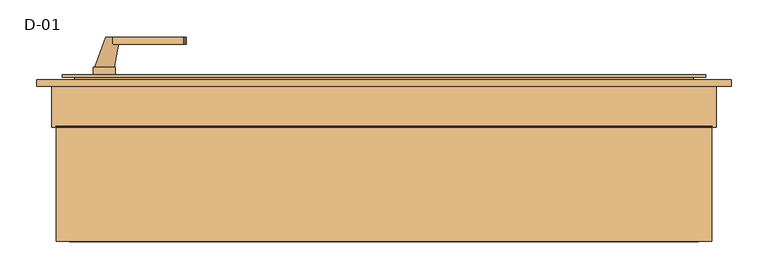
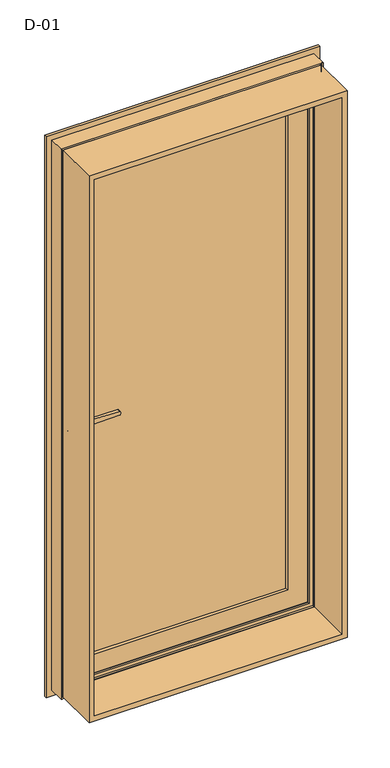
"""IFC4 building model written with IfcOpenShell, lengths in millimetres: door geometry, D-01."""

import ifcopenshell
import ifcopenshell.guid

model = None  # the IFC model being written
_history = None  # IfcOwnerHistory: only IFC2X3 demands one
_inside = {}  # id of a spatial element -> (the spatial element, [elements in it])
_under = {}  # id of a project, library or spatial element -> (it, [spatial elements below it])
_declared = {}  # id of a project -> (the project, [libraries it declares])
_typed = {}  # id of a type object -> (the type object, [elements of that type])
_made_of = {}  # id of a material, layer set ... -> (it, [elements and type objects made of it])


def new_model(schema):
    """Start an empty IFC model of exactly this schema.

    Asked for "IFC4X3", IfcOpenShell would pick the latest addendum, in which some entities
    have other attributes; the version numbers below select the first issue.
    IFC2X3 requires an IfcOwnerHistory on every rooted entity: one is made here for all.
    """
    global model, _history
    if schema == "IFC4X3":
        model = ifcopenshell.file(schema_version=(4, 3, 0, 0))
    else:
        model = ifcopenshell.file(schema=schema)
    _inside.clear()
    _under.clear()
    _declared.clear()
    _typed.clear()
    _made_of.clear()
    _history = None
    if model.schema == "IFC2X3":
        org = make("IfcOrganization", Name="unknown")
        user = make(
            "IfcPersonAndOrganization",
            ThePerson=make("IfcPerson", FamilyName="unknown"),
            TheOrganization=org,
        )
        app = make(
            "IfcApplication",
            ApplicationDeveloper=org,
            Version="unknown",
            ApplicationFullName="unknown",
            ApplicationIdentifier="unknown",
        )
        _history = make(
            "IfcOwnerHistory",
            OwningUser=user,
            OwningApplication=app,
            ChangeAction="ADDED",
            CreationDate=0,
        )
    return model


def make(cls, **values):
    """One entity of the class cls with the attributes given. An attribute that is None is left unset."""
    return model.create_entity(
        cls, **{name: value for name, value in values.items() if value is not None}
    )


def rooted(cls, **values):
    """An entity with a GlobalId (a new one), such as an element, a storey or a relation."""
    return make(cls, GlobalId=ifcopenshell.guid.new(), OwnerHistory=_history, **values)


def si_unit(unit_type, name, prefix=None):
    """IfcSIUnit, for example si_unit("LENGTHUNIT", "METRE", prefix="MILLI")."""
    return make("IfcSIUnit", UnitType=unit_type, Prefix=prefix, Name=name)


def assignment(units):
    """IfcUnitAssignment: the units of a project."""
    return None if units is None else make("IfcUnitAssignment", Units=units)


def point(xyz):
    """IfcCartesianPoint."""
    return None if xyz is None else make("IfcCartesianPoint", Coordinates=xyz)


def direction(xyz):
    """IfcDirection."""
    return None if xyz is None else make("IfcDirection", DirectionRatios=xyz)


def frame(location, z_axis=None, x_axis=None):
    """IfcAxis2Placement3D, a coordinate frame: its origin and axes. An axis left out is left unset."""
    return make(
        "IfcAxis2Placement3D",
        Location=point(location),
        Axis=direction(z_axis),
        RefDirection=direction(x_axis),
    )


def frame_2d(location, x_axis=None):
    """IfcAxis2Placement2D, a coordinate frame in the plane: its origin and x axis."""
    return make(
        "IfcAxis2Placement2D", Location=point(location), RefDirection=direction(x_axis)
    )


def origin():
    """The frame at (0, 0, 0) with its axes left unset."""
    return frame((0.0, 0.0, 0.0))


def place(relative_to, where):
    """IfcLocalPlacement: puts the frame where relative to a parent placement (None: the world)."""
    return make(
        "IfcLocalPlacement", PlacementRelTo=relative_to, RelativePlacement=where
    )


def context(
    kind, dimensions, precision=None, world=None, true_north=None, identifier=None
):
    """IfcGeometricRepresentationContext, for example the 3D "Model" context."""
    return make(
        "IfcGeometricRepresentationContext",
        ContextIdentifier=identifier,
        ContextType=kind,
        CoordinateSpaceDimension=dimensions,
        Precision=precision,
        WorldCoordinateSystem=world,
        TrueNorth=true_north,
    )


def project(units=None, contexts=None):
    """IfcProject with its units and contexts."""
    return rooted(
        "IfcProject",
        Name="project",
        RepresentationContexts=contexts,
        UnitsInContext=assignment(units),
    )


def spatial(cls, under=None, at=None, **own):
    """A site, building, storey or space (cls), placed at a placement, below another one or the project."""
    s = rooted(cls, ObjectPlacement=at, **own)
    if under is not None:
        _under.setdefault(under.id(), (under, []))[1].append(s)
    return s


def polyline(points):
    """IfcPolyline through the points."""
    return make("IfcPolyline", Points=[point(p) for p in points])


def circle_curve(where, radius):
    """IfcCircle in the frame where."""
    return make("IfcCircle", Position=where, Radius=radius)


def ellipse_curve(where, semi_axis1, semi_axis2):
    """IfcEllipse in the frame where."""
    return make(
        "IfcEllipse", Position=where, SemiAxis1=semi_axis1, SemiAxis2=semi_axis2
    )


def trimmed(basis, trim1, trim2, sense, master):
    """IfcTrimmedCurve: the piece of a basis curve between two trims."""
    return make(
        "IfcTrimmedCurve",
        BasisCurve=basis,
        Trim1=trim1,
        Trim2=trim2,
        SenseAgreement=sense,
        MasterRepresentation=master,
    )


def segment(curve, same_sense, transition):
    """IfcCompositeCurveSegment."""
    return make(
        "IfcCompositeCurveSegment",
        Transition=transition,
        SameSense=same_sense,
        ParentCurve=curve,
    )


def composite_curve(segments, self_intersect=None):
    """IfcCompositeCurve: segments joined end to end."""
    return make("IfcCompositeCurve", Segments=segments, SelfIntersect=self_intersect)


def outline(outer, holes=None, kind="AREA"):
    """IfcArbitraryClosedProfileDef: a profile drawn as a closed curve; with holes, ...WithVoids."""
    if holes is None:
        return make("IfcArbitraryClosedProfileDef", ProfileType=kind, OuterCurve=outer)
    return make(
        "IfcArbitraryProfileDefWithVoids",
        ProfileType=kind,
        OuterCurve=outer,
        InnerCurves=holes,
    )


def extrude(swept, where, along, depth):
    """IfcExtrudedAreaSolid: the profile swept, set in the frame where, extruded along a direction by depth."""
    return make(
        "IfcExtrudedAreaSolid",
        SweptArea=swept,
        Position=where,
        ExtrudedDirection=direction(along),
        Depth=depth,
    )


def faces_of(points, faces, orient=None, outer=None):
    """IfcFace entities. A face is a list of loops; a loop is a list of indices into points, from 0.

    orient and outer hold one flag for each loop. By default every Orientation is true, the
    first loop of a face is its IfcFaceOuterBound and the others are IfcFaceBound.
    """
    made = []
    for i, loops in enumerate(faces):
        bounds = []
        for j, loop in enumerate(loops):
            is_outer = j == 0 if outer is None else outer[i][j]
            bounds.append(
                make(
                    "IfcFaceOuterBound" if is_outer else "IfcFaceBound",
                    Bound=make("IfcPolyLoop", Polygon=[points[k] for k in loop]),
                    Orientation=True if orient is None else orient[i][j],
                )
            )
        made.append(make("IfcFace", Bounds=bounds))
    return made


def faceted_brep(points, faces, orient=None, outer=None, voids=None):
    """IfcFacetedBrep: a solid bounded by flat faces; with voids (closed shells), ...WithVoids."""
    shared = [point(p) for p in points]
    hull = make("IfcClosedShell", CfsFaces=faces_of(shared, faces, orient, outer))
    if voids is None:
        return make("IfcFacetedBrep", Outer=hull)
    return make(
        "IfcFacetedBrepWithVoids",
        Outer=hull,
        Voids=[
            make(cls, CfsFaces=faces_of(shared, fs, o, b)) for cls, fs, o, b in voids
        ],
    )


def shape(context_of_items, identifier, shape_type, items):
    """IfcShapeRepresentation: the items that make up one representation, for example the "Body"."""
    return make(
        "IfcShapeRepresentation",
        ContextOfItems=context_of_items,
        RepresentationIdentifier=identifier,
        RepresentationType=shape_type,
        Items=items,
    )


def source(mapping_origin, context_of_items, identifier, shape_type, items):
    """IfcRepresentationMap: a shape defined once, which mapped items show again and again."""
    return make(
        "IfcRepresentationMap",
        MappingOrigin=mapping_origin,
        MappedRepresentation=shape(context_of_items, identifier, shape_type, items),
    )


def transform(
    local_origin,
    x_axis=None,
    y_axis=None,
    z_axis=None,
    scale=None,
    scale2=None,
    scale3=None,
    uniform=True,
):
    """IfcCartesianTransformationOperator3D, or its non-uniform kind. x_axis, y_axis, z_axis: its Axis1, 2, 3."""
    if uniform:
        return make(
            "IfcCartesianTransformationOperator3D",
            Axis1=direction(x_axis),
            Axis2=direction(y_axis),
            LocalOrigin=point(local_origin),
            Scale=scale,
            Axis3=direction(z_axis),
        )
    return make(
        "IfcCartesianTransformationOperator3DnonUniform",
        Axis1=direction(x_axis),
        Axis2=direction(y_axis),
        LocalOrigin=point(local_origin),
        Scale=scale,
        Axis3=direction(z_axis),
        Scale2=scale2,
        Scale3=scale3,
    )


def mapped(mapping_source, mapping_target):
    """IfcMappedItem: shows the shape of a source again, moved by a transform."""
    return make(
        "IfcMappedItem", MappingSource=mapping_source, MappingTarget=mapping_target
    )


def made_of(thing, what):
    """Note that an element or type object is made of a material, layer set ...; save() writes the relation."""
    if what is not None:
        _made_of.setdefault(what.id(), (what, []))[1].append(thing)
    return thing


def element(
    cls,
    number,
    at=None,
    inside=None,
    cuts=None,
    type_object=None,
    material=None,
    context=None,
    identifier="Body",
    shape_type=None,
    held_by="IfcProductDefinitionShape",
    body=None,
    shapes=None,
    **own,
):
    """One element of the class cls, such as IfcWall. Its Tag is "e" and its number.

    at: its placement. inside: the storey or other place that contains it. cuts: it is an
    opening in that element (IfcRelVoidsElement). A single representation is given by context,
    identifier, shape_type and body (its items); several are given by shapes. held_by: the class
    of the entity that holds the representations. save() writes the other relations.
    """
    e = rooted(cls, Tag="e%d" % number, ObjectPlacement=at, **own)
    if body is not None:
        shapes = [shape(context, identifier, shape_type, body)]
    if shapes is not None:
        e.Representation = make(held_by, Representations=shapes)
    if inside is not None:
        _inside.setdefault(inside.id(), (inside, []))[1].append(e)
    if cuts is not None:
        rooted(
            "IfcRelVoidsElement", RelatingBuildingElement=cuts, RelatedOpeningElement=e
        )
    if type_object is not None:
        _typed.setdefault(type_object.id(), (type_object, []))[1].append(e)
    return made_of(e, material)


def aggregate(whole, parts):
    """IfcRelAggregates: a whole, such as a stair, and the parts it consists of."""
    return rooted("IfcRelAggregates", RelatingObject=whole, RelatedObjects=parts)


def save(model, path):
    """Write the relations noted so far, then the file.

    IfcRelAggregates (storeys below a building ...), IfcRelContainedInSpatialStructure (elements
    in a storey), IfcRelDefinesByType, IfcRelAssociatesMaterial and IfcRelDeclares: one each for
    every whole, place, type object, material and project.
    """
    for whole, parts in _under.values():
        aggregate(whole, parts)
    for where, things in _inside.values():
        rooted(
            "IfcRelContainedInSpatialStructure",
            RelatedElements=things,
            RelatingStructure=where,
        )
    for kind, things in _typed.values():
        rooted("IfcRelDefinesByType", RelatedObjects=things, RelatingType=kind)
    for what, things in _made_of.values():
        rooted("IfcRelAssociatesMaterial", RelatedObjects=things, RelatingMaterial=what)
    for by, libraries in _declared.values():
        rooted("IfcRelDeclares", RelatingContext=by, RelatedDefinitions=libraries)
    model.write(path)


def plane_surface(at):
    """IfcPlane: the flat surface through the origin of the frame at, square to its z axis."""
    return make("IfcPlane", Position=at)


def cylinder_surface(at, radius):
    """IfcCylindricalSurface: all points at the distance radius from the z axis of the frame at."""
    return make("IfcCylindricalSurface", Position=at, Radius=radius)


def revolved_surface(curve, axis_point, axis_direction):
    """IfcSurfaceOfRevolution: the curve turned about the line through axis_point along axis_direction."""
    return make(
        "IfcSurfaceOfRevolution",
        SweptCurve=make("IfcArbitraryOpenProfileDef", ProfileType="CURVE", Curve=curve),
        AxisPosition=make("IfcAxis1Placement", Location=point(axis_point), Axis=direction(axis_direction)),
    )


def spline_surface(u_degree, v_degree, points, u_multiplicities, v_multiplicities, u_knots, v_knots, weights=None):
    """IfcBSplineSurfaceWithKnots; with weights, IfcRationalBSplineSurfaceWithKnots. points: one row for each step in u."""
    own = dict(
        UDegree=u_degree,
        VDegree=v_degree,
        ControlPointsList=[[point(p) for p in row] for row in points],
        SurfaceForm="UNSPECIFIED",
        UClosed=False,
        VClosed=False,
        SelfIntersect=False,
        UMultiplicities=u_multiplicities,
        VMultiplicities=v_multiplicities,
        UKnots=u_knots,
        VKnots=v_knots,
        KnotSpec="UNSPECIFIED",
    )
    if weights is None:
        return make("IfcBSplineSurfaceWithKnots", **own)
    return make("IfcRationalBSplineSurfaceWithKnots", WeightsData=weights, **own)


def advanced_brep(points, edges, surfaces, faces):
    """IfcAdvancedBrep: a solid bounded by faces that lie on surfaces and meet in shared edges.

    An edge is (start, end): straight between two places in points (the first is 0);
    or (start, end, curve); or (start, end, curve, False) where it runs against its curve.
    A face is (place in surfaces, loops), or (place, loops, False) where it looks against
    its surface's normal. A loop lists edges by number (the first is 1), with a minus sign
    where the edge is run from its end to its start. The first loop is the outer one.
    """
    corners = [point(p) for p in points]
    vertices = [make("IfcVertexPoint", VertexGeometry=c) for c in corners]
    made = []
    for start, end, *more in edges:
        made.append(
            make(
                "IfcEdgeCurve",
                EdgeStart=vertices[start],
                EdgeEnd=vertices[end],
                EdgeGeometry=more[0] if more else make("IfcPolyline", Points=[corners[start], corners[end]]),
                SameSense=more[1] if len(more) > 1 else True,
            )
        )
    hull = []
    for where, loops, *sense in faces:
        bounds = []
        for j, loop in enumerate(loops):
            ring = [make("IfcOrientedEdge", EdgeElement=made[abs(k) - 1], Orientation=k > 0) for k in loop]
            bounds.append(
                make(
                    "IfcFaceOuterBound" if j == 0 else "IfcFaceBound",
                    Bound=make("IfcEdgeLoop", EdgeList=ring),
                    Orientation=True,
                )
            )
        hull.append(make("IfcAdvancedFace", Bounds=bounds, FaceSurface=surfaces[where], SameSense=sense[0] if sense else True))
    return make("IfcAdvancedBrep", Outer=make("IfcClosedShell", CfsFaces=hull))


def d_01_5e7d713f(model_context):
    return source(origin(), model_context, "Body", "SolidModel", [
        extrude(outline(polyline([(1993.8, 443.8), (1993.8, -443.8), (6.2, -443.8), (6.2, 443.8), (1993.8, 443.8)]), holes=[polyline([(24.7, 425.3), (24.7, -425.3), (1975.3, -425.3), (1975.3, 425.3), (24.7, 425.3)])]), frame((0.0, -100.0, 0.0), z_axis=(0.0, 1.0, 0.0), x_axis=(0.0, 0.0, 1.0)), (0.0, 0.0, 1.0), 165.9999813),
        extrude(outline(polyline([(349.0, 81.0), (-349.0, 81.0), (-349.0, 107.0), (349.0, 107.0), (349.0, 81.0)])), frame((0.0, 0.0, 101.0), z_axis=(0.0, 0.0, 1.0), x_axis=(1.0, 0.0, 0.0)), (0.0, 0.0, 1.0), 1798.0),
        extrude(outline(composite_curve([segment(polyline([(895.7, -373.529519), (908.3261365, -373.529519)]), True, "CONTINUOUS"), segment(trimmed(circle_curve(frame_2d((915.2, -378.529519)), 8.5), [point((908.3261365, -373.529519))], [point((908.3261365, -383.529519))], False, "CARTESIAN"), True, "CONTINUOUS"), segment(polyline([(908.3261365, -383.529519), (895.7, -383.529519)]), True, "CONTINUOUS"), segment(trimmed(circle_curve(frame_2d((895.7, -378.529519)), 5.0), [point((895.7, -383.529519))], [point((895.7, -373.529519))], False, "CARTESIAN"), True, "CONTINUOUS")], self_intersect=False)), frame((0.0, 58.0000848, 0.0), z_axis=(0.0, 1.0, 0.0), x_axis=(0.0, 0.0, 1.0)), (0.0, 0.0, 1.0), 11.0),
        extrude(outline(composite_curve([segment(trimmed(circle_curve(frame_2d((956.1155661, -378.529519)), 97.2636214), [point((860.0, -393.429519))], [point((860.0, -363.629519))], False, "CARTESIAN"), True, "CONTINUOUS"), segment(polyline([(860.0, -363.629519), (1078.5, -363.629519)]), True, "CONTINUOUS"), segment(trimmed(circle_curve(frame_2d((982.3844339, -378.529519)), 97.2636214), [point((1078.5, -363.629519))], [point((1078.5, -393.429519))], False, "CARTESIAN"), True, "CONTINUOUS"), segment(polyline([(1078.5, -393.429519), (860.0, -393.429519)]), True, "CONTINUOUS")], self_intersect=False), holes=[composite_curve([segment(polyline([(895.7, -383.529519), (908.3261365, -383.529519)]), True, "CONTINUOUS"), segment(trimmed(circle_curve(frame_2d((915.2, -378.529519)), 8.5), [point((908.3261365, -383.529519))], [point((908.3261365, -373.529519))], True, "CARTESIAN"), True, "CONTINUOUS"), segment(polyline([(908.3261365, -373.529519), (895.7, -373.529519)]), True, "CONTINUOUS"), segment(trimmed(circle_curve(frame_2d((895.7, -378.529519)), 5.0), [point((895.7, -373.529519))], [point((895.7, -383.529519))], True, "CARTESIAN"), True, "CONTINUOUS")], self_intersect=False)]), frame((0.0, 59.0000848, 0.0), z_axis=(0.0, 1.0, 0.0), x_axis=(0.0, 0.0, 1.0)), (0.0, 0.0, 1.0), 10.0),
        extrude(outline(composite_curve([segment(polyline([(1009.5, -367.529519), (990.5, -367.529519), (993.0308731, -270.8793747)]), True, "CONTINUOUS"), segment(trimmed(circle_curve(frame_2d((995.0301877, -270.9317286)), 2.0), [point((993.0308731, -270.8793747))], [point((994.5125497, -268.9998769))], False, "CARTESIAN"), True, "CONTINUOUS"), segment(polyline([(994.5125497, -268.9998769), (1000.0, -267.529519), (1005.4874503, -268.9998769)]), True, "CONTINUOUS"), segment(trimmed(circle_curve(frame_2d((1004.9698123, -270.9317286)), 2.0), [point((1005.4874503, -268.9998769))], [point((1006.9691269, -270.8793747))], False, "CARTESIAN"), True, "CONTINUOUS"), segment(polyline([(1006.9691269, -270.8793747), (1009.5, -367.529519)]), True, "CONTINUOUS")], self_intersect=False)), frame((0.0, 18.0000848, 0.0), z_axis=(0.0, 1.0, 0.0), x_axis=(0.0, 0.0, 1.0)), (0.0, 0.0, 1.0), 10.0),
        advanced_brep(
        [(-377.029519, 18.0000848, 1000.0), (-358.029519, 18.0000848, 1000.0), (-391.929519, 59.0000848, 1000.0), (-365.129519, 59.0000848, 1000.0)],
        [
            (0, 1, circle_curve(frame((-367.529519, 18.0000848, 1000.0), z_axis=(0.0, -1.0, 0.0), x_axis=(1.0, 0.0, 0.0)), 9.5)),
            (1, 0, circle_curve(frame((-367.529519, 18.0000848, 1000.0), z_axis=(0.0, -1.0, 0.0), x_axis=(1.0, 0.0, 0.0)), 9.5)),
            (2, 3, circle_curve(frame((-378.529519, 59.0000848, 1000.0), z_axis=(0.0, 1.0, 0.0), x_axis=(1.0, 0.0, 0.0)), 13.4)),
            (3, 2, circle_curve(frame((-378.529519, 59.0000848, 1000.0), z_axis=(0.0, 1.0, 0.0), x_axis=(1.0, 0.0, 0.0)), 13.4)),
            (3, 1),
            (0, 2),
        ],
        [
            plane_surface(frame((-367.529519, 18.0000848, 1000.0), z_axis=(0.0, -1.0, 0.0), x_axis=(0.0, 0.0, -1.0))),
            plane_surface(frame((-378.529519, 59.0000848, 1000.0), z_axis=(0.0, 1.0, 0.0), x_axis=(0.0, 0.0, -1.0))),
            spline_surface(2, 1, [[(-391.929519, 59.0000848, 1000.0), (-377.029519, 18.0000848, 1000.0)], [(-391.929519, 59.0000848, 986.5999999999999), (-377.029519, 18.0000848, 990.5)], [(-378.529519, 59.0000848, 986.5999999999999), (-367.529519, 18.0000848, 990.5)], [(-365.12951899999996, 59.0000848, 986.5999999999999), (-358.029519, 18.0000848, 990.5)], [(-365.129519, 59.0000848, 1000.0), (-358.029519, 18.0000848, 1000.0)]], [3, 2, 3], [2, 2], [0.0, 1.0, 2.0], [0.0, 1.0], weights=[[1.0, 1.0], [0.7071067811865476, 0.7071067811865476], [1.0, 1.0], [0.707106781186546, 0.707106781186546], [1.0, 1.0]]),
            spline_surface(2, 1, [[(-365.129519, 59.0000848, 1000.0), (-358.029519, 18.0000848, 1000.0)], [(-365.129519, 59.0000848, 1013.4), (-358.029519, 18.0000848, 1009.5)], [(-378.529519, 59.0000848, 1013.4), (-367.529519, 18.0000848, 1009.5)], [(-391.92951899999997, 59.0000848, 1013.3999999999999), (-377.029519, 18.0000848, 1009.5)], [(-391.929519, 59.0000848, 1000.0), (-377.029519, 18.0000848, 1000.0)]], [3, 2, 3], [2, 2], [0.0, 1.0, 2.0], [0.0, 1.0], weights=[[1.0, 1.0], [0.7071067811865476, 0.7071067811865476], [1.0, 1.0], [0.707106781186549, 0.707106781186549], [1.0, 1.0]]),
        ],
        [
            (0, [[1, 2]]),
            (1, [[3, 4]]),
            (2, [[-4, 5, -1, 6]]),
            (3, [[-3, -6, -2, -5]]),
        ],
    ),
        extrude(outline(composite_curve([segment(polyline([(895.7, -373.529519), (908.3261365, -373.529519)]), True, "CONTINUOUS"), segment(trimmed(circle_curve(frame_2d((915.2, -378.529519)), 8.5), [point((908.3261365, -373.529519))], [point((908.3261365, -383.529519))], False, "CARTESIAN"), True, "CONTINUOUS"), segment(polyline([(908.3261365, -383.529519), (895.7, -383.529519)]), True, "CONTINUOUS"), segment(trimmed(circle_curve(frame_2d((895.7, -378.529519)), 5.0), [point((895.7, -383.529519))], [point((895.7, -373.529519))], False, "CARTESIAN"), True, "CONTINUOUS")], self_intersect=False)), frame((0.0, 126.0000927, 0.0), z_axis=(0.0, 1.0, 0.0), x_axis=(0.0, 0.0, 1.0)), (0.0, 0.0, 1.0), 11.0),
        extrude(outline(composite_curve([segment(trimmed(circle_curve(frame_2d((956.1155661, -378.529519)), 97.2636214), [point((860.0, -393.429519))], [point((860.0, -363.629519))], False, "CARTESIAN"), True, "CONTINUOUS"), segment(polyline([(860.0, -363.629519), (1078.5, -363.629519)]), True, "CONTINUOUS"), segment(trimmed(circle_curve(frame_2d((982.3844339, -378.529519)), 97.2636214), [point((1078.5, -363.629519))], [point((1078.5, -393.429519))], False, "CARTESIAN"), True, "CONTINUOUS"), segment(polyline([(1078.5, -393.429519), (860.0, -393.429519)]), True, "CONTINUOUS")], self_intersect=False), holes=[composite_curve([segment(polyline([(895.7, -383.529519), (908.3261365, -383.529519)]), True, "CONTINUOUS"), segment(trimmed(circle_curve(frame_2d((915.2, -378.529519)), 8.5), [point((908.3261365, -383.529519))], [point((908.3261365, -373.529519))], True, "CARTESIAN"), True, "CONTINUOUS"), segment(polyline([(908.3261365, -373.529519), (895.7, -373.529519)]), True, "CONTINUOUS"), segment(trimmed(circle_curve(frame_2d((895.7, -378.529519)), 5.0), [point((895.7, -373.529519))], [point((895.7, -383.529519))], True, "CARTESIAN"), True, "CONTINUOUS")], self_intersect=False)]), frame((0.0, 126.0000927, 0.0), z_axis=(0.0, 1.0, 0.0), x_axis=(0.0, 0.0, 1.0)), (0.0, 0.0, 1.0), 10.0),
        extrude(outline(composite_curve([segment(polyline([(1009.5, -367.529519), (990.5, -367.529519), (993.0308731, -270.8793747)]), True, "CONTINUOUS"), segment(trimmed(circle_curve(frame_2d((995.0301877, -270.9317286)), 2.0), [point((993.0308731, -270.8793747))], [point((994.5125497, -268.9998769))], False, "CARTESIAN"), True, "CONTINUOUS"), segment(polyline([(994.5125497, -268.9998769), (1000.0, -267.529519), (1005.4874503, -268.9998769)]), True, "CONTINUOUS"), segment(trimmed(circle_curve(frame_2d((1004.9698123, -270.9317286)), 2.0), [point((1005.4874503, -268.9998769))], [point((1006.9691269, -270.8793747))], False, "CARTESIAN"), True, "CONTINUOUS"), segment(polyline([(1006.9691269, -270.8793747), (1009.5, -367.529519)]), True, "CONTINUOUS")], self_intersect=False)), frame((0.0, 167.0000927, 0.0), z_axis=(0.0, 1.0, 0.0), x_axis=(0.0, 0.0, 1.0)), (0.0, 0.0, 1.0), 10.0),
        advanced_brep(
        [(-377.029519, 177.0000927, 1000.0), (-358.029519, 177.0000927, 1000.0), (-391.929519, 136.0000927, 1000.0), (-365.129519, 136.0000927, 1000.0)],
        [
            (0, 1, circle_curve(frame((-367.529519, 177.0000927, 1000.0), z_axis=(0.0, 1.0, 0.0), x_axis=(1.0, 0.0, 0.0)), 9.5)),
            (1, 0, circle_curve(frame((-367.529519, 177.0000927, 1000.0), z_axis=(0.0, 1.0, 0.0), x_axis=(1.0, 0.0, 0.0)), 9.5)),
            (2, 3, circle_curve(frame((-378.529519, 136.0000927, 1000.0), z_axis=(0.0, -1.0, 0.0), x_axis=(1.0, 0.0, 0.0)), 13.4)),
            (3, 2, circle_curve(frame((-378.529519, 136.0000927, 1000.0), z_axis=(0.0, -1.0, 0.0), x_axis=(1.0, 0.0, 0.0)), 13.4)),
            (2, 0),
            (1, 3),
        ],
        [
            plane_surface(frame((-367.529519, 177.0000927, 1000.0), z_axis=(0.0, 1.0, 0.0), x_axis=(0.0, 0.0, -1.0))),
            plane_surface(frame((-378.529519, 136.0000927, 1000.0), z_axis=(0.0, -1.0, 0.0), x_axis=(0.0, 0.0, -1.0))),
            spline_surface(1, 2, [[(-391.929519, 136.0000927, 1000.0), (-391.929519, 136.0000927, 986.5999999999999), (-378.529519, 136.0000927, 986.5999999999999), (-365.12951899999996, 136.0000927, 986.5999999999999), (-365.129519, 136.0000927, 1000.0)], [(-377.029519, 177.0000927, 1000.0), (-377.029519, 177.0000927, 990.5), (-367.529519, 177.0000927, 990.5), (-358.029519, 177.0000927, 990.5), (-358.029519, 177.0000927, 1000.0)]], [2, 2], [3, 2, 3], [0.0, 1.0], [0.0, 1.0, 2.0], weights=[[1.0, 0.7071067811865476, 1.0, 0.707106781186546, 1.0], [1.0, 0.7071067811865476, 1.0, 0.707106781186546, 1.0]]),
            spline_surface(1, 2, [[(-365.129519, 136.0000927, 1000.0), (-365.129519, 136.0000927, 1013.4), (-378.529519, 136.0000927, 1013.4), (-391.92951899999997, 136.0000927, 1013.3999999999999), (-391.929519, 136.0000927, 1000.0)], [(-358.029519, 177.0000927, 1000.0), (-358.029519, 177.0000927, 1009.5), (-367.529519, 177.0000927, 1009.5), (-377.029519, 177.0000927, 1009.5), (-377.029519, 177.0000927, 1000.0)]], [2, 2], [3, 2, 3], [0.0, 1.0], [0.0, 1.0, 2.0], weights=[[1.0, 0.7071067811865476, 1.0, 0.707106781186549, 1.0], [1.0, 0.7071067811865476, 1.0, 0.707106781186549, 1.0]]),
        ],
        [
            (0, [[1, 2]]),
            (1, [[3, 4]]),
            (2, [[5, -2, 6, -3]]),
            (3, [[-6, -1, -5, -4]]),
        ],
    ),
        faceted_brep([(436.029509, 122.4000726, 1986.029509), (436.029509, 122.4000726, 13.970491), (436.029509, 126.0000927, 13.970491), (436.029509, 126.0000927, 1986.029509), (-436.029509, 126.0000927, 1986.029509), (-436.029509, 126.0000927, 13.970491), (356.0295117, 126.0000927, 1906.0295117), (-356.0295117, 126.0000927, 1906.0295117), (-356.0295117, 126.0000927, 93.9704883), (356.0295117, 126.0000927, 93.9704883), (-436.029509, 122.4000726, 13.970491), (-436.029509, 122.4000726, 1986.029509), (-418.529519, 122.4000726, 1968.529519), (418.529519, 122.4000726, 1968.529519), (418.529519, 122.4000726, 31.470481), (-418.529519, 122.4000726, 31.470481), (418.529519, 75.9989223, 1968.529519), (418.529519, 75.9989223, 31.470481), (-418.529519, 75.9989223, 31.470481), (-418.529519, 75.9989223, 1968.529519), (-403.0352158, 75.9989223, 1953.0352158), (403.0352158, 75.9989223, 1953.0352158), (403.0352158, 75.9989223, 46.9647842), (-403.0352158, 75.9989223, 46.9647842), (403.0352158, 69.0000848, 1953.0352158), (403.0352158, 69.0000848, 46.9647842), (-403.0352158, 69.0000848, 46.9647842), (-403.0352158, 69.0000848, 1953.0352158), (-336.0300864, 69.0000848, 1886.0300864), (336.0300864, 69.0000848, 1886.0300864), (336.0300864, 69.0000848, 113.9699136), (-336.0300864, 69.0000848, 113.9699136), (336.0300864, 79.598921, 1886.0300864), (336.0300864, 79.598921, 113.9699136), (-336.0300864, 79.598921, 113.9699136), (-356.0295117, 79.598921, 1906.0295117), (356.0295117, 79.598921, 1906.0295117), (356.0295117, 79.598921, 93.9704883), (-356.0295117, 79.598921, 93.9704883), (-336.0300864, 79.598921, 1886.0300864)], [[[0, 1, 2, 3]], [[4, 3, 2, 5], [6, 7, 8, 9]], [[1, 10, 5, 2]], [[0, 11, 10, 1], [12, 13, 14, 15]], [[16, 17, 14, 13]], [[17, 18, 15, 14]], [[16, 19, 18, 17], [20, 21, 22, 23]], [[24, 25, 22, 21]], [[25, 26, 23, 22]], [[24, 27, 26, 25], [28, 29, 30, 31]], [[32, 33, 30, 29]], [[33, 34, 31, 30]], [[35, 36, 37, 38], [32, 39, 34, 33]], [[6, 9, 37, 36]], [[9, 8, 38, 37]], [[10, 11, 4, 5]], [[18, 19, 12, 15]], [[26, 27, 20, 23]], [[34, 39, 28, 31]], [[8, 7, 35, 38]], [[11, 0, 3, 4]], [[19, 16, 13, 12]], [[27, 24, 21, 20]], [[39, 32, 29, 28]], [[7, 6, 36, 35]]]),
        advanced_brep(
        [(336.0, 114.7230026, 1886.0), (336.0, 114.7230026, 114.0), (333.8575034, 107.3929004, 116.1424966), (333.8575034, 107.3929004, 1883.8575034), (336.0, 126.0000928, 1886.0), (336.0, 126.0000928, 114.0), (356.0, 107.3929004, 1906.0), (356.0, 107.3929004, 94.0), (356.0, 126.0000928, 94.0), (356.0, 126.0000928, 1906.0), (-336.0, 114.7230026, 114.0), (-333.8575034, 107.3929004, 116.1424966), (-336.0, 126.0000928, 114.0), (-356.0, 107.3929004, 94.0), (-356.0, 126.0000928, 94.0), (-336.0, 114.7230026, 1886.0), (-333.8575034, 107.3929004, 1883.8575034), (-336.0, 126.0000928, 1886.0), (-356.0, 107.3929004, 1906.0), (-356.0, 126.0000928, 1906.0)],
        [
            (0, 1),
            (1, 2, ellipse_curve(frame((316.3925883, 116.4758386, 133.6074117), z_axis=(-0.7071067811865475, 0.0, -0.7071067811865475), x_axis=(0.7071067811865474, 0.0, -0.7071067811865476)), 27.839649, 19.6856046)),
            (2, 3),
            (3, 0, ellipse_curve(frame((316.3925883, 116.4758386, 1866.3925883), z_axis=(-0.7071067811865475, 0.0, 0.7071067811865475), x_axis=(-0.7071067811865474, 0.0, -0.7071067811865476)), 27.839649, 19.6856046)),
            (4, 5),
            (5, 1),
            (0, 4),
            (6, 7),
            (7, 8),
            (8, 9),
            (9, 6),
            (1, 10),
            (10, 11, ellipse_curve(frame((-316.3925883, 116.4758386, 133.6074117), z_axis=(-0.7071067811865475, 0.0, 0.7071067811865475), x_axis=(-0.7071067811865476, 0.0, -0.7071067811865474)), 27.839649, 19.6856046)),
            (11, 2),
            (5, 12),
            (12, 10),
            (7, 13),
            (13, 14),
            (14, 8),
            (10, 15),
            (15, 16, ellipse_curve(frame((-316.3925883, 116.4758386, 1866.3925883), z_axis=(0.7071067811865475, 0.0, 0.7071067811865475), x_axis=(-0.7071067811865474, 0.0, 0.7071067811865476)), 27.839649, 19.6856046)),
            (16, 11),
            (12, 17),
            (17, 15),
            (13, 18),
            (18, 19),
            (19, 14),
            (6, 18),
            (16, 3),
            (15, 0),
            (17, 4),
            (19, 9),
        ],
        [
            revolved_surface(polyline([(336.0781929, 116.4758386, 113.92180710624666), (336.0781929, 116.4758386, 1886.0781928937533)]), (316.3925883, 116.4758386, 1906.0), (0.0, 0.0, -1.0)),
            plane_surface(frame((336.0, 114.7230026, 1886.0), z_axis=(-1.0, 0.0, 0.0), x_axis=(0.0, 0.0, -1.0))),
            plane_surface(frame((356.0, 126.0000928, 1906.0), z_axis=(1.0, 0.0, 0.0), x_axis=(0.0, 0.0, -1.0))),
            revolved_surface(polyline([(-336.0781928937532, 116.4758386, 113.9218071), (336.0781928937533, 116.4758386, 113.9218071)]), (356.0, 116.4758386, 133.6074117), (-1.0, 0.0, 0.0)),
            plane_surface(frame((336.0, 114.7230026, 114.0), z_axis=(0.0, 0.0, 1.0), x_axis=(-1.0, 0.0, 0.0))),
            plane_surface(frame((356.0, 126.0000928, 94.0), z_axis=(0.0, 0.0, -1.0), x_axis=(-1.0, 0.0, 0.0))),
            revolved_surface(polyline([(-336.0781929, 116.4758386, 1886.0781928937533), (-336.0781929, 116.4758386, 113.92180710624672)]), (-316.3925883, 116.4758386, 94.0), (0.0, 0.0, 1.0)),
            plane_surface(frame((-336.0, 114.7230026, 114.0), z_axis=(1.0, 0.0, 0.0), x_axis=(0.0, 0.0, 1.0))),
            plane_surface(frame((-356.0, 126.0000928, 94.0), z_axis=(-1.0, 0.0, 0.0), x_axis=(0.0, 0.0, 1.0))),
            plane_surface(frame((-356.0, 107.3929004, 1906.0), z_axis=(0.0, -1.0, 0.0), x_axis=(1.0, 0.0, 0.0))),
            revolved_surface(polyline([(336.0781928937532, 116.4758386, 1886.0781929), (-336.0781928937533, 116.4758386, 1886.0781929)]), (-356.0, 116.4758386, 1866.3925883), (1.0, 0.0, 0.0)),
            plane_surface(frame((-336.0, 114.7230026, 1886.0), z_axis=(0.0, 0.0, -1.0), x_axis=(1.0, 0.0, 0.0))),
            plane_surface(frame((-336.0, 126.0000928, 1886.0), z_axis=(0.0, 1.0, 0.0), x_axis=(1.0, 0.0, 0.0))),
            plane_surface(frame((-356.0, 126.0000928, 1906.0), z_axis=(0.0, 0.0, 1.0), x_axis=(1.0, 0.0, 0.0))),
        ],
        [
            (0, [[1, 2, 3, 4]]),
            (1, [[5, 6, -1, 7]]),
            (2, [[8, 9, 10, 11]]),
            (3, [[12, 13, 14, -2]]),
            (4, [[15, 16, -12, -6]]),
            (5, [[17, 18, 19, -9]]),
            (6, [[20, 21, 22, -13]]),
            (7, [[23, 24, -20, -16]]),
            (8, [[25, 26, 27, -18]]),
            (9, [[-8, 28, -25, -17], [-3, -14, -22, 29]]),
            (10, [[30, -4, -29, -21]]),
            (11, [[31, -7, -30, -24]]),
            (12, [[-10, -19, -27, 32], [-5, -31, -23, -15]]),
            (13, [[-28, -11, -32, -26]]),
        ],
    ),
        advanced_brep(
        [(470.000038, 110.0, 2020.000038), (470.000038, 110.0, -20.000038), (470.000038, 118.9999375, -20.000038), (470.000038, 118.9999375, 2020.000038), (-470.000038, 118.9999375, 2020.000038), (-470.000038, 118.9999375, -20.000038), (430.0000396, 118.9999375, 1980.0000396), (-430.0000396, 118.9999375, 1980.0000396), (-430.0000396, 118.9999375, 19.9999604), (430.0000396, 118.9999375, 19.9999604), (-470.000038, 110.0, -20.000038), (-470.000038, 110.0, 2020.000038), (-450.0, 110.0, 2000.0), (450.0, 110.0, 2000.0), (450.0, 110.0, 0.0), (-450.0, 110.0, 0.0), (450.0, 54.8507969, 2000.0), (450.0, 54.8507969, 0.0), (-450.0, 54.8507969, 0.0), (445.0001465, 54.8506112, 1995.0001465), (445.0001465, 54.8506112, 4.9998535), (-445.0001465, 54.8506112, 4.9998535), (445.0001465, 56.5920405, 1995.0001465), (445.0001465, 56.5920405, 4.9998535), (-445.0001465, 56.5920405, 4.9998535), (443.8001794, 56.5908144, 1993.8001794), (443.8001794, 56.5908144, 6.1998206), (-443.8001794, 56.5908144, 6.1998206), (443.8001794, 65.9999813, 1993.8001794), (443.8001794, 65.9999813, 6.1998206), (-443.8001794, 65.9999813, 6.1998206), (-443.8001794, 65.9999813, 1993.8001794), (-424.2001794, 65.9999813, 1974.2001794), (424.2001794, 65.9999813, 1974.2001794), (424.2001794, 65.9999813, 25.7998206), (-424.2001794, 65.9999813, 25.7998206), (424.2001794, 61.9999728, 1974.2001794), (424.2001794, 61.9999728, 25.7998206), (-424.2001794, 61.9999728, 25.7998206), (-424.2001794, 61.9999728, 1974.2001794), (-422.6156704, 61.9999728, 1972.6156704), (422.6156704, 61.9999728, 1972.6156704), (422.6156704, 61.9999728, 27.3843296), (-422.6156704, 61.9999728, 27.3843296), (422.8755675, 68.9999299, 1972.8755675), (422.8755675, 68.9999299, 27.1244325), (-422.8755675, 68.9999299, 27.1244325), (-422.8755675, 68.9999299, 1972.8755675), (-410.0002274, 68.9999299, 1960.0002274), (410.0002274, 68.9999299, 1960.0002274), (410.0002274, 68.9999299, 39.9997726), (-410.0002274, 68.9999299, 39.9997726), (410.0002274, 72.5999758, 1960.0002274), (410.0002274, 72.5999758, 39.9997726), (-410.0002274, 72.5999758, 39.9997726), (-430.0000396, 72.5999758, 1980.0000396), (430.0000396, 72.5999758, 1980.0000396), (430.0000396, 72.5999758, 19.9999604), (-430.0000396, 72.5999758, 19.9999604), (-410.0002274, 72.5999758, 1960.0002274), (-450.0, 54.8507969, 2000.0), (-445.0001465, 54.8506112, 1995.0001465), (-445.0001465, 56.5920405, 1995.0001465), (-443.8001794, 56.5908144, 1993.8001794)],
        [
            (0, 1),
            (1, 2),
            (2, 3),
            (3, 0),
            (4, 3),
            (2, 5),
            (5, 4),
            (6, 7),
            (7, 8),
            (8, 9),
            (9, 6),
            (1, 10),
            (10, 5),
            (0, 11),
            (11, 10),
            (12, 13),
            (13, 14),
            (14, 15),
            (15, 12),
            (16, 17),
            (17, 14),
            (13, 16),
            (17, 18),
            (18, 15),
            (19, 20),
            (20, 17, ellipse_curve(frame((447.5001465, 52.8785929, 2.4998535), z_axis=(-0.7071067811865475, 0.0, -0.7071067811865475), x_axis=(0.7071067811865474, 0.0, -0.7071067811865476)), 4.5030781, 3.184157)),
            (16, 19, ellipse_curve(frame((447.5001465, 52.8785929, 1997.5001465), z_axis=(-0.7071067811865475, 0.0, 0.7071067811865475), x_axis=(-0.7071067811865474, 0.0, -0.7071067811865476)), 4.5030781, 3.184157)),
            (20, 21),
            (21, 18, ellipse_curve(frame((-447.5001465, 52.8785929, 2.4998535), z_axis=(-0.7071067811865475, 0.0, 0.7071067811865475), x_axis=(-0.7071067811865476, 0.0, -0.7071067811865474)), 4.5030781, 3.184157)),
            (22, 23),
            (23, 20),
            (19, 22),
            (23, 24),
            (24, 21),
            (25, 26),
            (26, 23, ellipse_curve(frame((444.4001534, 56.6007652, 5.5998466), z_axis=(0.7071067811865475, 0.0, 0.7071067811865475), x_axis=(-0.7071067811865474, 0.0, 0.7071067811865476)), 0.8486081, 0.6000566)),
            (22, 25, ellipse_curve(frame((444.4001534, 56.6007652, 1994.4001534), z_axis=(0.7071067811865475, 0.0, -0.7071067811865475), x_axis=(0.7071067811865474, 0.0, 0.7071067811865476)), 0.8486081, 0.6000566)),
            (26, 27),
            (27, 24, ellipse_curve(frame((-444.4001534, 56.6007652, 5.5998466), z_axis=(0.7071067811865475, 0.0, -0.7071067811865475), x_axis=(0.7071067811865476, 0.0, 0.7071067811865474)), 0.8486081, 0.6000566)),
            (28, 29),
            (29, 26),
            (25, 28),
            (29, 30),
            (30, 27),
            (28, 31),
            (31, 30),
            (32, 33),
            (33, 34),
            (34, 35),
            (35, 32),
            (36, 37),
            (37, 34),
            (33, 36),
            (37, 38),
            (38, 35),
            (36, 39),
            (39, 38),
            (40, 41),
            (41, 42),
            (42, 43),
            (43, 40),
            (44, 45),
            (45, 42),
            (41, 44),
            (45, 46),
            (46, 43),
            (44, 47),
            (47, 46),
            (48, 49),
            (49, 50),
            (50, 51),
            (51, 48),
            (52, 53),
            (53, 50),
            (49, 52),
            (53, 54),
            (54, 51),
            (55, 56),
            (56, 57),
            (57, 58),
            (58, 55),
            (52, 59),
            (59, 54),
            (9, 57),
            (56, 6),
            (8, 58),
            (11, 4),
            (18, 60),
            (60, 12),
            (21, 61),
            (61, 60, ellipse_curve(frame((-447.5001465, 52.8785929, 1997.5001465), z_axis=(0.7071067811865475, 0.0, 0.7071067811865475), x_axis=(-0.7071067811865474, 0.0, 0.7071067811865476)), 4.5030781, 3.184157)),
            (24, 62),
            (62, 61),
            (27, 63),
            (63, 62, ellipse_curve(frame((-444.4001534, 56.6007652, 1994.4001534), z_axis=(-0.7071067811865475, 0.0, -0.7071067811865475), x_axis=(0.7071067811865474, 0.0, -0.7071067811865476)), 0.8486081, 0.6000566)),
            (31, 63),
            (39, 32),
            (47, 40),
            (59, 48),
            (7, 55),
            (60, 16),
            (61, 19),
            (62, 22),
            (63, 25),
        ],
        [
            plane_surface(frame((470.000038, 118.9999375, 2020.000038), z_axis=(1.0, 0.0, 0.0), x_axis=(0.0, 0.0, -1.0))),
            plane_surface(frame((-430.0000396, 118.9999375, 19.9999604), z_axis=(0.0, 1.0, 0.0), x_axis=(0.0, 0.0, 1.0))),
            plane_surface(frame((470.000038, 118.9999375, -20.000038), z_axis=(0.0, 0.0, -1.0), x_axis=(-1.0, 0.0, 0.0))),
            plane_surface(frame((-470.000038, 110.0, -20.000038), z_axis=(0.0, -1.0, 0.0), x_axis=(0.0, 0.0, 1.0))),
            plane_surface(frame((450.0, 110.0, 2000.0), z_axis=(1.0, 0.0, 0.0), x_axis=(0.0, 0.0, -1.0))),
            plane_surface(frame((450.0, 110.0, 0.0), z_axis=(0.0, 0.0, -1.0), x_axis=(-1.0, 0.0, 0.0))),
            revolved_surface(polyline([(450.68430350000006, 52.8785929, -0.6843035607225829), (450.68430350000006, 52.8785929, 2000.6843035607226)]), (447.5001465, 52.8785929, 2000.0), (0.0, 0.0, -1.0)),
            revolved_surface(polyline([(-450.6843035607227, 52.8785929, -0.6843035), (450.68430356072264, 52.8785929, -0.6843035)]), (450.0, 52.8785929, 2.4998535), (-1.0, 0.0, 0.0)),
            plane_surface(frame((445.0001465, 54.8506112, 1995.0001465), z_axis=(-1.0, 0.0, 0.0), x_axis=(0.0, 0.0, -1.0))),
            plane_surface(frame((445.0001465, 54.8506112, 4.9998535), z_axis=(0.0, 0.0, 1.0), x_axis=(-1.0, 0.0, 0.0))),
            cylinder_surface(frame((444.4001534, 56.6007652, 2000.0), z_axis=(0.0, 0.0, 1.0), x_axis=(1.0, 0.0, 0.0)), 0.6000566),
            cylinder_surface(frame((450.0, 56.6007652, 5.5998466), z_axis=(1.0, 0.0, 0.0), x_axis=(0.0, 0.0, -1.0)), 0.6000566),
            plane_surface(frame((443.8001794, 56.5908144, 1993.8001794), z_axis=(-1.0, 0.0, 0.0), x_axis=(0.0, 0.0, -1.0))),
            plane_surface(frame((443.8001794, 56.5908144, 6.1998206), z_axis=(0.0, 0.0, 1.0), x_axis=(-1.0, 0.0, 0.0))),
            plane_surface(frame((-443.8001794, 65.9999813, 6.1998206), z_axis=(0.0, -1.0, 0.0), x_axis=(0.0, 0.0, 1.0))),
            plane_surface(frame((424.2001794, 65.9999813, 1974.2001794), z_axis=(1.0, 0.0, 0.0), x_axis=(0.0, 0.0, -1.0))),
            plane_surface(frame((424.2001794, 65.9999813, 25.7998206), z_axis=(0.0, 0.0, -1.0), x_axis=(-1.0, 0.0, 0.0))),
            plane_surface(frame((-424.2001794, 61.9999728, 25.7998206), z_axis=(0.0, -1.0, 0.0), x_axis=(0.0, 0.0, 1.0))),
            plane_surface(frame((422.6156704, 61.9999728, 1972.6156704), z_axis=(-0.9993114533203381, 0.0371028201460986, 0.0), x_axis=(0.0, 0.0, -1.0))),
            plane_surface(frame((422.6156704, 61.9999728, 27.3843296), z_axis=(0.0, 0.03710282014609248, 0.9993114533203383), x_axis=(-1.0, 0.0, 0.0))),
            plane_surface(frame((-422.8755675, 68.9999299, 27.1244325), z_axis=(0.0, -1.0, 0.0), x_axis=(0.0, 0.0, 1.0))),
            plane_surface(frame((410.0002274, 68.9999299, 1960.0002274), z_axis=(-1.0, 0.0, 0.0), x_axis=(0.0, 0.0, -1.0))),
            plane_surface(frame((410.0002274, 68.9999299, 39.9997726), z_axis=(0.0, 0.0, 1.0), x_axis=(-1.0, 0.0, 0.0))),
            plane_surface(frame((-410.0002274, 72.5999758, 39.9997726), z_axis=(0.0, 1.0, 0.0), x_axis=(0.0, 0.0, 1.0))),
            plane_surface(frame((430.0000396, 72.5999758, 1980.0000396), z_axis=(-1.0, 0.0, 0.0), x_axis=(0.0, 0.0, -1.0))),
            plane_surface(frame((430.0000396, 72.5999758, 19.9999604), z_axis=(0.0, 0.0, 1.0), x_axis=(-1.0, 0.0, 0.0))),
            plane_surface(frame((-470.000038, 118.9999375, -20.000038), z_axis=(-1.0, 0.0, 0.0), x_axis=(0.0, 0.0, 1.0))),
            plane_surface(frame((-450.0, 110.0, 0.0), z_axis=(-1.0, 0.0, 0.0), x_axis=(0.0, 0.0, 1.0))),
            revolved_surface(polyline([(-450.68430350000006, 52.8785929, 2000.6843035607226), (-450.68430350000006, 52.8785929, -0.6843035607226331)]), (-447.5001465, 52.8785929, 0.0), (0.0, 0.0, 1.0)),
            plane_surface(frame((-445.0001465, 54.8506112, 4.9998535), z_axis=(1.0, 0.0, 0.0), x_axis=(0.0, 0.0, 1.0))),
            cylinder_surface(frame((-444.4001534, 56.6007652, 0.0), z_axis=(0.0, 0.0, -1.0), x_axis=(-1.0, 0.0, 0.0)), 0.6000566),
            plane_surface(frame((-443.8001794, 56.5908144, 6.1998206), z_axis=(1.0, 0.0, 0.0), x_axis=(0.0, 0.0, 1.0))),
            plane_surface(frame((-424.2001794, 65.9999813, 25.7998206), z_axis=(-1.0, 0.0, 0.0), x_axis=(0.0, 0.0, 1.0))),
            plane_surface(frame((-422.6156704, 61.9999728, 27.3843296), z_axis=(0.9993114533203385, 0.03710282014608636, 0.0), x_axis=(0.0, 0.0, 1.0))),
            plane_surface(frame((-410.0002274, 68.9999299, 39.9997726), z_axis=(1.0, 0.0, 0.0), x_axis=(0.0, 0.0, 1.0))),
            plane_surface(frame((-430.0000396, 72.5999758, 19.9999604), z_axis=(1.0, 0.0, 0.0), x_axis=(0.0, 0.0, 1.0))),
            plane_surface(frame((-470.000038, 118.9999375, 2020.000038), z_axis=(0.0, 0.0, 1.0), x_axis=(1.0, 0.0, 0.0))),
            plane_surface(frame((-450.0, 110.0, 2000.0), z_axis=(0.0, 0.0, 1.0), x_axis=(1.0, 0.0, 0.0))),
            revolved_surface(polyline([(450.6843035607227, 52.8785929, 2000.6843035), (-450.68430356072264, 52.8785929, 2000.6843035)]), (-450.0, 52.8785929, 1997.5001465), (1.0, 0.0, 0.0)),
            plane_surface(frame((-445.0001465, 54.8506112, 1995.0001465), z_axis=(0.0, 0.0, -1.0), x_axis=(1.0, 0.0, 0.0))),
            cylinder_surface(frame((-450.0, 56.6007652, 1994.4001534), z_axis=(-1.0, 0.0, 0.0), x_axis=(0.0, 0.0, 1.0)), 0.6000566),
            plane_surface(frame((-443.8001794, 56.5908144, 1993.8001794), z_axis=(0.0, 0.0, -1.0), x_axis=(1.0, 0.0, 0.0))),
            plane_surface(frame((-424.2001794, 65.9999813, 1974.2001794), z_axis=(0.0, 0.0, 1.0), x_axis=(1.0, 0.0, 0.0))),
            plane_surface(frame((-422.6156704, 61.9999728, 1972.6156704), z_axis=(0.0, 0.03710282014609248, -0.9993114533203383), x_axis=(1.0, 0.0, 0.0))),
            plane_surface(frame((-410.0002274, 68.9999299, 1960.0002274), z_axis=(0.0, 0.0, -1.0), x_axis=(1.0, 0.0, 0.0))),
            plane_surface(frame((-430.0000396, 72.5999758, 1980.0000396), z_axis=(0.0, 0.0, -1.0), x_axis=(1.0, 0.0, 0.0))),
        ],
        [
            (0, [[1, 2, 3, 4]]),
            (1, [[5, -3, 6, 7], [8, 9, 10, 11]]),
            (2, [[12, 13, -6, -2]]),
            (3, [[14, 15, -12, -1], [16, 17, 18, 19]]),
            (4, [[20, 21, -17, 22]]),
            (5, [[23, 24, -18, -21]]),
            (6, [[25, 26, -20, 27]]),
            (7, [[28, 29, -23, -26]]),
            (8, [[30, 31, -25, 32]]),
            (9, [[33, 34, -28, -31]]),
            (10, [[35, 36, -30, 37]]),
            (11, [[38, 39, -33, -36]]),
            (12, [[40, 41, -35, 42]]),
            (13, [[43, 44, -38, -41]]),
            (14, [[45, 46, -43, -40], [47, 48, 49, 50]]),
            (15, [[51, 52, -48, 53]]),
            (16, [[54, 55, -49, -52]]),
            (17, [[56, 57, -54, -51], [58, 59, 60, 61]]),
            (18, [[62, 63, -59, 64]]),
            (19, [[65, 66, -60, -63]]),
            (20, [[67, 68, -65, -62], [69, 70, 71, 72]]),
            (21, [[73, 74, -70, 75]]),
            (22, [[76, 77, -71, -74]]),
            (23, [[78, 79, 80, 81], [82, 83, -76, -73]]),
            (24, [[-11, 84, -79, 85]]),
            (25, [[-10, 86, -80, -84]]),
            (26, [[-15, 87, -7, -13]]),
            (27, [[88, 89, -19, -24]]),
            (28, [[90, 91, -88, -29]]),
            (29, [[92, 93, -90, -34]]),
            (30, [[94, 95, -92, -39]]),
            (31, [[-46, 96, -94, -44]]),
            (32, [[-57, 97, -50, -55]]),
            (33, [[-68, 98, -61, -66]]),
            (34, [[-83, 99, -72, -77]]),
            (35, [[-9, 100, -81, -86]]),
            (36, [[-14, -4, -5, -87]]),
            (37, [[101, -22, -16, -89]]),
            (38, [[102, -27, -101, -91]]),
            (39, [[103, -32, -102, -93]]),
            (40, [[104, -37, -103, -95]]),
            (41, [[-45, -42, -104, -96]]),
            (42, [[-56, -53, -47, -97]]),
            (43, [[-67, -64, -58, -98]]),
            (44, [[-82, -75, -69, -99]]),
            (45, [[-8, -85, -78, -100]]),
        ],
    ),
    ])


if __name__ == "__main__":
    model = new_model("IFC4")
    model_context = context("Model", 3, world=origin())
    ifc_project = project(units=[si_unit("LENGTHUNIT", "METRE", prefix="MILLI")], contexts=[model_context])
    site = spatial("IfcSite", under=ifc_project)
    building = spatial("IfcBuilding", under=site)
    placement = place(None, origin())
    d_01_shape = d_01_5e7d713f(model_context)
    element("IfcDoor", 1, ObjectType="D-01", at=placement, inside=building, context=model_context, shape_type="MappedRepresentation", body=[
        mapped(d_01_shape, transform((0.0, 0.0, 0.0), x_axis=(1.0, 0.0, 0.0), y_axis=(0.0, 1.0, 0.0), z_axis=(0.0, 0.0, 1.0))),
    ])
    save(model, "model.ifc")
